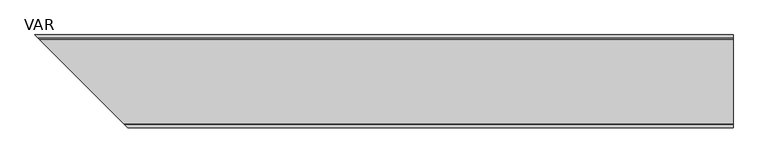
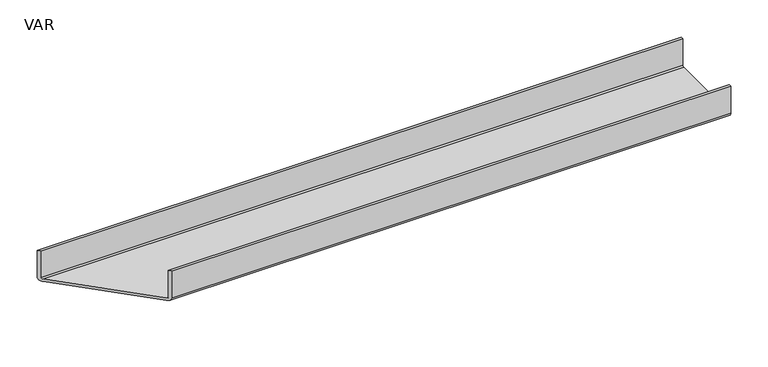
"""IFC4 building model written with IfcOpenShell, lengths in millimetres: sanitary terminal geometry, VAR."""

from ifc_helpers import new_model, si_unit, frame, origin, place, context, project, spatial, polyline, circle_curve, ellipse_curve, source, transform, mapped, element, save
from ifc_brep_helpers import plane_surface, cylinder_surface, revolved_surface, advanced_brep


def var_6f3f02aa(model_context):
    return source(origin(), model_context, "Body", "AdvancedBrep", [
        advanced_brep(
        [(1000.0, 66.5, -44.0), (1000.0, 66.5, 0.0), (1000.0, 62.5, 0.0), (1000.0, 62.5, -44.0), (1000.0, 60.5, -46.0), (1000.0, -60.5, -46.0), (1000.0, -62.5, -44.0), (1000.0, -62.5, 0.0), (1000.0, -66.5, 0.0), (1000.0, -66.5, -44.0), (1000.0, -60.5, -50.0), (1000.0, 60.5, -50.0), (0.0, 66.5, -44.0), (0.0, 66.5, 0.0), (4.0, 62.5, 0.0), (4.0, 62.5, -44.0), (6.0, 60.5, -46.0), (127.0, -60.5, -46.0), (129.0, -62.5, -44.0), (129.0, -62.5, 0.0), (133.0, -66.5, 0.0), (133.0, -66.5, -44.0), (127.0, -60.5, -50.0), (6.0, 60.5, -50.0)],
        [
            (0, 1),
            (1, 2),
            (2, 3),
            (3, 4, circle_curve(frame((1000.0, 60.5, -44.0), z_axis=(-1.0, 0.0, 0.0), x_axis=(0.0, 0.0, -1.0)), 2.0)),
            (4, 5),
            (5, 6, circle_curve(frame((1000.0, -60.5, -44.0), z_axis=(-1.0, 0.0, 0.0), x_axis=(0.0, -1.0, 0.0)), 2.0)),
            (6, 7),
            (7, 8),
            (8, 9),
            (9, 10, circle_curve(frame((1000.0, -60.5, -44.0), z_axis=(1.0, 0.0, 0.0), x_axis=(0.0, 0.0, -1.0)), 6.0)),
            (10, 11),
            (11, 0, circle_curve(frame((1000.0, 60.5, -44.0), z_axis=(1.0, 0.0, 0.0), x_axis=(0.0, 1.0, 0.0)), 6.0)),
            (0, 12),
            (12, 13),
            (13, 1),
            (13, 14),
            (14, 2),
            (14, 15),
            (15, 3),
            (15, 16, ellipse_curve(frame((6.0, 60.5, -44.0), z_axis=(-0.7071067811865409, -0.7071067811865542, 0.0), x_axis=(0.707106781186554, -0.7071067811865409, 0.0)), 2.8284271, 2.0)),
            (16, 4),
            (16, 17),
            (17, 5),
            (17, 18, ellipse_curve(frame((127.0, -60.5, -44.0), z_axis=(-0.7071067811865409, -0.7071067811865542, 0.0), x_axis=(0.707106781186554, -0.7071067811865409, 0.0)), 2.8284271, 2.0)),
            (18, 6),
            (18, 19),
            (19, 7),
            (19, 20),
            (20, 8),
            (20, 21),
            (21, 9),
            (21, 22, ellipse_curve(frame((127.0, -60.5, -44.0), z_axis=(0.7071067811865409, 0.7071067811865542, 0.0), x_axis=(0.707106781186554, -0.7071067811865409, 0.0)), 8.4852814, 6.0)),
            (22, 10),
            (22, 23),
            (23, 11),
            (23, 12, ellipse_curve(frame((6.0, 60.5, -44.0), z_axis=(0.7071067811865409, 0.7071067811865542, 0.0), x_axis=(0.707106781186554, -0.7071067811865409, 0.0)), 8.4852814, 6.0)),
        ],
        [
            plane_surface(frame((1000.0, 0.0, -30.6666667), z_axis=(1.0, 0.0, 0.0), x_axis=(0.0, 0.0, 1.0))),
            plane_surface(frame((0.0, 66.5, -22.0), z_axis=(0.0, 1.0, 0.0), x_axis=(0.0, 0.0, 1.0))),
            plane_surface(frame((0.0, 64.5, 0.0), z_axis=(0.0, 0.0, 1.0), x_axis=(0.0, -1.0, 0.0))),
            plane_surface(frame((0.0, 62.5, -22.0), z_axis=(0.0, -1.0, 0.0), x_axis=(0.0, 0.0, -1.0))),
            revolved_surface(polyline([(1000.0, 60.5, -46.0), (4.0, 60.5, -46.0)]), (0.0, 60.5, -44.0), (1.0, 0.0, 0.0)),
            plane_surface(frame((0.0, 0.0, -46.0), z_axis=(0.0, 0.0, 1.0), x_axis=(0.0, -1.0, 0.0))),
            revolved_surface(polyline([(1000.0, -62.5, -44.0), (125.00000001749818, -62.5, -44.0)]), (0.0, -60.5, -44.0), (1.0, 0.0, 0.0)),
            plane_surface(frame((0.0, -62.5, -22.0), z_axis=(0.0, 1.0, 0.0), x_axis=(0.0, 0.0, 1.0))),
            plane_surface(frame((0.0, -64.5, 0.0), z_axis=(0.0, 0.0, 1.0), x_axis=(0.0, -1.0, 0.0))),
            plane_surface(frame((0.0, -66.5, -22.0), z_axis=(0.0, -1.0, 0.0), x_axis=(0.0, 0.0, -1.0))),
            cylinder_surface(frame((0.0, -60.5, -44.0), z_axis=(1.0, 0.0, 0.0), x_axis=(0.0, 0.0, -1.0)), 6.0),
            plane_surface(frame((0.0, 0.0, -50.0), z_axis=(0.0, 0.0, -1.0), x_axis=(0.0, 1.0, 0.0))),
            cylinder_surface(frame((0.0, 60.5, -44.0), z_axis=(1.0, 0.0, 0.0), x_axis=(0.0, 1.0, 0.0)), 6.0),
            plane_surface(frame((133.0, -66.5, 15.4760934), z_axis=(-0.7071067811865409, -0.7071067811865542, 0.0), x_axis=(0.0, 0.0, -1.0))),
        ],
        [
            (0, [[1, 2, 3, 4, 5, 6, 7, 8, 9, 10, 11, 12]]),
            (1, [[-1, 13, 14, 15]]),
            (2, [[-2, -15, 16, 17]]),
            (3, [[-3, -17, 18, 19]]),
            (4, [[-4, -19, 20, 21]]),
            (5, [[-5, -21, 22, 23]]),
            (6, [[-6, -23, 24, 25]]),
            (7, [[-7, -25, 26, 27]]),
            (8, [[-8, -27, 28, 29]]),
            (9, [[-9, -29, 30, 31]]),
            (10, [[-10, -31, 32, 33]]),
            (11, [[-11, -33, 34, 35]]),
            (12, [[-12, -35, 36, -13]]),
            (13, [[-14, -36, -34, -32, -30, -28, -26, -24, -22, -20, -18, -16]]),
        ],
    ),
    ])


if __name__ == "__main__":
    model = new_model("IFC4")
    model_context = context("Model", 3, world=origin())
    ifc_project = project(units=[si_unit("LENGTHUNIT", "METRE", prefix="MILLI")], contexts=[model_context])
    site = spatial("IfcSite", under=ifc_project)
    building = spatial("IfcBuilding", under=site)
    placement = place(None, origin())
    var_shape = var_6f3f02aa(model_context)
    element("IfcSanitaryTerminal", 1, ObjectType="VAR", at=placement, inside=building, context=model_context, shape_type="MappedRepresentation", body=[
        mapped(var_shape, transform((0.0, 0.0, 0.0), x_axis=(1.0, 0.0, 0.0), y_axis=(0.0, 1.0, 0.0), z_axis=(0.0, 0.0, 1.0))),
    ])
    save(model, "model.ifc")
